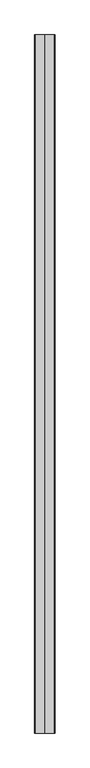
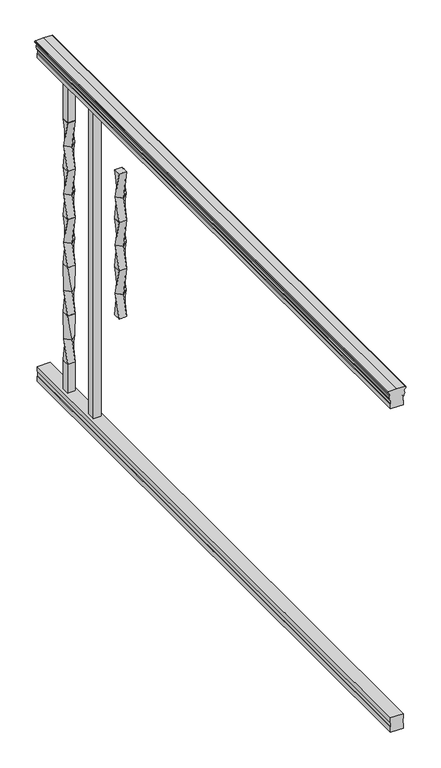
"""IFC4 building model written with IfcOpenShell, lengths in millimetres: railing geometry."""

from ifc_helpers import new_model, si_unit, frame, origin, place, context, project, spatial, polyline, circle_curve, outline, extrude, faceted_brep, source, transform, mapped, element, save
from ifc_brep_helpers import plane_surface, cylinder_surface, revolved_surface, spline_surface, advanced_brep


def railing_deb73338(model_context):
    return source(origin(), model_context, "Body", "SolidModel", [
        advanced_brep(
        [(37134.309781, 31627.8480744, 938.4043297), (37136.8836098, 31627.8480744, 938.4043297), (37136.8836098, 31627.8480744, 927.747013), (37135.8676098, 31627.8480744, 926.731013), (37135.8676098, 31627.8480744, 914.4), (37167.6176098, 31627.8480744, 914.4), (37167.6176098, 31627.8480744, 926.8888283), (37166.6016098, 31627.8480744, 927.9048283), (37166.6016098, 31627.8480744, 938.4043297), (37169.1754385, 31627.8480744, 938.4043297), (37169.1754385, 31627.8480744, 940.292412), (37170.3056248, 31627.8480744, 941.8546695), (37170.3056248, 31627.8480744, 949.0726458), (37169.6563684, 31627.8480744, 951.5060812), (37172.1563684, 31627.8480744, 955.8362083), (37173.5657109, 31627.8480744, 957.5157972), (37173.9676099, 31627.8480744, 958.6205318), (37173.9676098, 31627.8480744, 959.9608158), (37172.4141625, 31627.8480744, 961.514263), (37151.7426098, 31627.8480744, 961.514263), (37131.071057, 31627.8480744, 961.514263), (37129.5176098, 31627.8480744, 959.9608158), (37129.5176098, 31627.8480744, 958.6205318), (37129.9195087, 31627.8480744, 957.5157972), (37131.3288511, 31627.8480744, 955.8362083), (37133.8288511, 31627.8480744, 951.5060812), (37133.1795947, 31627.8480744, 949.0726458), (37133.1795947, 31627.8480744, 941.8546695), (37134.309781, 31627.8480744, 940.292412), (37134.309781, 33151.8480744, 938.4043297), (37134.309781, 33151.8480744, 940.292412), (37133.1795947, 33151.8480744, 941.8546695), (37133.1795947, 33151.8480744, 949.0726458), (37133.8288511, 33151.8480744, 951.5060812), (37131.3288511, 33151.8480744, 955.8362083), (37129.9195087, 33151.8480744, 957.5157972), (37129.5176097, 33151.8480744, 958.6205318), (37129.5176098, 33151.8480744, 959.9608158), (37131.071057, 33151.8480744, 961.514263), (37151.7426098, 33151.8480744, 961.514263), (37172.4141625, 33151.8480744, 961.514263), (37173.9676098, 33151.8480744, 959.9608158), (37173.9676098, 33151.8480744, 958.6205318), (37173.5657109, 33151.8480744, 957.5157972), (37172.1563684, 33151.8480744, 955.8362083), (37169.6563684, 33151.8480744, 951.5060812), (37170.3056248, 33151.8480744, 949.0726458), (37170.3056248, 33151.8480744, 941.8546695), (37169.1754385, 33151.8480744, 940.292412), (37169.1754385, 33151.8480744, 938.4043297), (37166.6016098, 33151.8480744, 938.4043297), (37166.6016098, 33151.8480744, 927.9048283), (37167.6176098, 33151.8480744, 926.8888283), (37167.6176098, 33151.8480744, 914.4), (37135.8676098, 33151.8480744, 914.4), (37135.8676098, 33151.8480744, 926.731013), (37136.8836098, 33151.8480744, 927.747013), (37136.8836098, 33151.8480744, 938.4043297)],
        [
            (0, 1, circle_curve(frame((37135.5966954, 31627.8480744, 938.4043297), z_axis=(0.0, -1.0, 0.0), x_axis=(1.0, 0.0, 0.0)), 1.2869144)),
            (1, 2),
            (2, 3),
            (3, 4),
            (4, 5),
            (5, 6),
            (6, 7),
            (7, 8),
            (8, 9, circle_curve(frame((37167.8885241, 31627.8480744, 938.4043297), z_axis=(0.0, -1.0, 0.0), x_axis=(-1.0, 0.0, 0.0)), 1.2869144)),
            (9, 10),
            (10, 11, circle_curve(frame((37162.8606852, 31627.8480744, 946.0506383), z_axis=(0.0, -1.0, 0.0), x_axis=(-1.0, 0.0, 0.0)), 8.545951)),
            (11, 12, circle_curve(frame((37163.2977482, 31627.8480744, 945.4636577), z_axis=(0.0, -1.0, 0.0), x_axis=(-1.0, 0.0, 0.0)), 7.882584)),
            (12, 13, circle_curve(frame((37173.8110723, 31627.8480744, 951.3112527), z_axis=(0.0, 1.0, 0.0), x_axis=(-1.0, 0.0, 0.0)), 4.1592695)),
            (13, 14, circle_curve(frame((37175.0983789, 31627.8480744, 951.2508864), z_axis=(0.0, 1.0, 0.0), x_axis=(-1.0, 0.0, 0.0)), 5.4479907)),
            (14, 15, circle_curve(frame((37173.8652204, 31627.8480744, 955.833395), z_axis=(0.0, 1.0, 0.0), x_axis=(-1.0, 0.0, 0.0)), 1.7088543)),
            (15, 16, circle_curve(frame((37172.2483203, 31627.8480744, 958.6205318), z_axis=(0.0, -1.0, 0.0), x_axis=(-1.0, 0.0, 0.0)), 1.7192895)),
            (16, 17),
            (17, 18, circle_curve(frame((37172.4141625, 31627.8480744, 959.9608158), z_axis=(0.0, -1.0, 0.0), x_axis=(-1.0, 0.0, 0.0)), 1.5534472)),
            (18, 19),
            (19, 20),
            (20, 21, circle_curve(frame((37131.071057, 31627.8480744, 959.9608158), z_axis=(0.0, -1.0, 0.0), x_axis=(1.0, 0.0, 0.0)), 1.5534472)),
            (21, 22),
            (22, 23, circle_curve(frame((37131.2368992, 31627.8480744, 958.6205318), z_axis=(0.0, -1.0, 0.0), x_axis=(1.0, 0.0, 0.0)), 1.7192895)),
            (23, 24, circle_curve(frame((37129.6199991, 31627.8480744, 955.833395), z_axis=(0.0, 1.0, 0.0), x_axis=(1.0, 0.0, 0.0)), 1.7088543)),
            (24, 25, circle_curve(frame((37128.3868407, 31627.8480744, 951.2508864), z_axis=(0.0, 1.0, 0.0), x_axis=(1.0, 0.0, 0.0)), 5.4479907)),
            (25, 26, circle_curve(frame((37129.6741472, 31627.8480744, 951.3112527), z_axis=(0.0, 1.0, 0.0), x_axis=(1.0, 0.0, 0.0)), 4.1592695)),
            (26, 27, circle_curve(frame((37140.1874714, 31627.8480744, 945.4636577), z_axis=(0.0, -1.0, 0.0), x_axis=(1.0, 0.0, 0.0)), 7.882584)),
            (27, 28, circle_curve(frame((37140.6245343, 31627.8480744, 946.0506383), z_axis=(0.0, -1.0, 0.0), x_axis=(1.0, 0.0, 0.0)), 8.545951)),
            (28, 0),
            (29, 30),
            (30, 31, circle_curve(frame((37140.6245343, 33151.8480744, 946.0506383), z_axis=(0.0, 1.0, 0.0), x_axis=(1.0, 0.0, 0.0)), 8.545951)),
            (31, 32, circle_curve(frame((37140.1874714, 33151.8480744, 945.4636577), z_axis=(0.0, 1.0, 0.0), x_axis=(1.0, 0.0, 0.0)), 7.882584)),
            (32, 33, circle_curve(frame((37129.6741472, 33151.8480744, 951.3112527), z_axis=(0.0, -1.0, 0.0), x_axis=(1.0, 0.0, 0.0)), 4.1592695)),
            (33, 34, circle_curve(frame((37128.3868407, 33151.8480744, 951.2508864), z_axis=(0.0, -1.0, 0.0), x_axis=(1.0, 0.0, 0.0)), 5.4479907)),
            (34, 35, circle_curve(frame((37129.6199991, 33151.8480744, 955.833395), z_axis=(0.0, -1.0, 0.0), x_axis=(1.0, 0.0, 0.0)), 1.7088543)),
            (35, 36, circle_curve(frame((37131.2368992, 33151.8480744, 958.6205318), z_axis=(0.0, 1.0, 0.0), x_axis=(1.0, 0.0, 0.0)), 1.7192895)),
            (36, 37),
            (37, 38, circle_curve(frame((37131.071057, 33151.8480744, 959.9608158), z_axis=(0.0, 1.0, 0.0), x_axis=(1.0, 0.0, 0.0)), 1.5534472)),
            (38, 39),
            (39, 40),
            (40, 41, circle_curve(frame((37172.4141625, 33151.8480744, 959.9608158), z_axis=(0.0, 1.0, 0.0), x_axis=(-1.0, 0.0, 0.0)), 1.5534472)),
            (41, 42),
            (42, 43, circle_curve(frame((37172.2483203, 33151.8480744, 958.6205318), z_axis=(0.0, 1.0, 0.0), x_axis=(-1.0, 0.0, 0.0)), 1.7192895)),
            (43, 44, circle_curve(frame((37173.8652204, 33151.8480744, 955.833395), z_axis=(0.0, -1.0, 0.0), x_axis=(-1.0, 0.0, 0.0)), 1.7088543)),
            (44, 45, circle_curve(frame((37175.0983789, 33151.8480744, 951.2508864), z_axis=(0.0, -1.0, 0.0), x_axis=(-1.0, 0.0, 0.0)), 5.4479907)),
            (45, 46, circle_curve(frame((37173.8110723, 33151.8480744, 951.3112527), z_axis=(0.0, -1.0, 0.0), x_axis=(-1.0, 0.0, 0.0)), 4.1592695)),
            (46, 47, circle_curve(frame((37163.2977482, 33151.8480744, 945.4636577), z_axis=(0.0, 1.0, 0.0), x_axis=(-1.0, 0.0, 0.0)), 7.882584)),
            (47, 48, circle_curve(frame((37162.8606852, 33151.8480744, 946.0506383), z_axis=(0.0, 1.0, 0.0), x_axis=(-1.0, 0.0, 0.0)), 8.545951)),
            (48, 49),
            (49, 50, circle_curve(frame((37167.8885241, 33151.8480744, 938.4043297), z_axis=(0.0, 1.0, 0.0), x_axis=(-1.0, 0.0, 0.0)), 1.2869144)),
            (50, 51),
            (51, 52),
            (52, 53),
            (53, 54),
            (54, 55),
            (55, 56),
            (56, 57),
            (57, 29, circle_curve(frame((37135.5966954, 33151.8480744, 938.4043297), z_axis=(0.0, 1.0, 0.0), x_axis=(1.0, 0.0, 0.0)), 1.2869144)),
            (0, 29),
            (57, 1),
            (56, 2),
            (55, 3),
            (54, 4),
            (53, 5),
            (52, 6),
            (51, 7),
            (50, 8),
            (49, 9),
            (48, 10),
            (47, 11),
            (46, 12),
            (45, 13),
            (44, 14),
            (43, 15),
            (42, 16),
            (41, 17),
            (40, 18),
            (39, 19),
            (38, 20),
            (37, 21),
            (36, 22),
            (35, 23),
            (34, 24),
            (33, 25),
            (32, 26),
            (31, 27),
            (30, 28),
        ],
        [
            plane_surface(frame((37151.7426098, 31627.8480744, 914.4), z_axis=(0.0, -1.0, 0.0), x_axis=(0.0, 0.0, 1.0))),
            plane_surface(frame((37151.7426098, 33151.8480744, 914.4), z_axis=(0.0, 1.0, 0.0), x_axis=(0.0, 0.0, 1.0))),
            cylinder_surface(frame((37135.5966954, 31627.8480744, 938.4043297), z_axis=(0.0, -1.0, 0.0), x_axis=(1.0, 0.0, 0.0)), 1.2869144),
            plane_surface(frame((37136.8836098, 31627.8480744, 938.4043297), z_axis=(-1.0, 0.0, 0.0), x_axis=(0.0, 1.0, 0.0))),
            plane_surface(frame((37136.8836098, 31627.8480744, 927.747013), z_axis=(-0.7071067811865395, 0.0, 0.7071067811865556), x_axis=(0.0, 1.0, 0.0))),
            plane_surface(frame((37135.8676098, 31627.8480744, 926.731013), z_axis=(-1.0, 0.0, 0.0), x_axis=(0.0, 1.0, 0.0))),
            plane_surface(frame((37135.8676098, 31627.8480744, 914.4), z_axis=(0.0, 0.0, -1.0), x_axis=(0.0, 1.0, 0.0))),
            plane_surface(frame((37167.6176098, 31627.8480744, 914.4), z_axis=(1.0, 0.0, 0.0), x_axis=(0.0, 1.0, 0.0))),
            plane_surface(frame((37167.6176098, 31627.8480744, 926.8888283), z_axis=(0.7071067811865432, 0.0, 0.707106781186552), x_axis=(0.0, 1.0, 0.0))),
            plane_surface(frame((37166.6016098, 31627.8480744, 927.9048283), z_axis=(1.0, 0.0, 0.0), x_axis=(0.0, 1.0, 0.0))),
            cylinder_surface(frame((37167.8885241, 31627.8480744, 938.4043297), z_axis=(0.0, -1.0, 0.0), x_axis=(-1.0, 0.0, 0.0)), 1.2869144),
            plane_surface(frame((37169.1754385, 31627.8480744, 938.4043297), z_axis=(1.0, 0.0, 0.0), x_axis=(0.0, 1.0, 0.0))),
            cylinder_surface(frame((37162.8606852, 31627.8480744, 946.0506383), z_axis=(0.0, -1.0, 0.0), x_axis=(-1.0, 0.0, 0.0)), 8.545951),
            cylinder_surface(frame((37163.2977482, 31627.8480744, 945.4636577), z_axis=(0.0, -1.0, 0.0), x_axis=(-1.0, 0.0, 0.0)), 7.882584),
            revolved_surface(polyline([(37169.6518028, 33151.8480744, 951.3112527), (37169.6518028, 31627.8480744, 951.3112527)]), (37173.8110723, 31627.8480744, 951.3112527), (0.0, 1.0, 0.0)),
            revolved_surface(polyline([(37169.6503882, 33151.8480744, 951.2508864), (37169.6503882, 31627.8480744, 951.2508864)]), (37175.0983789, 31627.8480744, 951.2508864), (0.0, 1.0, 0.0)),
            revolved_surface(polyline([(37172.156366100004, 33151.8480744, 955.833395), (37172.156366100004, 31627.8480744, 955.833395)]), (37173.8652204, 31627.8480744, 955.833395), (0.0, 1.0, 0.0)),
            cylinder_surface(frame((37172.2483203, 31627.8480744, 958.6205318), z_axis=(0.0, -1.0, 0.0), x_axis=(-1.0, 0.0, 0.0)), 1.7192895),
            plane_surface(frame((37173.9676098, 31627.8480744, 958.6205318), z_axis=(1.0, 0.0, 0.0), x_axis=(0.0, 1.0, 0.0))),
            cylinder_surface(frame((37172.4141625, 31627.8480744, 959.9608158), z_axis=(0.0, -1.0, 0.0), x_axis=(-1.0, 0.0, 0.0)), 1.5534472),
            plane_surface(frame((37172.4141625, 31627.8480744, 961.514263), z_axis=(0.0, 0.0, 1.0), x_axis=(0.0, 1.0, 0.0))),
            plane_surface(frame((37151.7426098, 31627.8480744, 961.514263), z_axis=(0.0, 0.0, 1.0), x_axis=(0.0, 1.0, 0.0))),
            cylinder_surface(frame((37131.071057, 31627.8480744, 959.9608158), z_axis=(0.0, -1.0, 0.0), x_axis=(1.0, 0.0, 0.0)), 1.5534472),
            plane_surface(frame((37129.5176098, 31627.8480744, 959.9608158), z_axis=(-1.0, 0.0, 0.0), x_axis=(0.0, 1.0, 0.0))),
            cylinder_surface(frame((37131.2368992, 31627.8480744, 958.6205318), z_axis=(0.0, -1.0, 0.0), x_axis=(1.0, 0.0, 0.0)), 1.7192895),
            revolved_surface(polyline([(37131.3288534, 33151.8480744, 955.833395), (37131.3288534, 31627.8480744, 955.833395)]), (37129.6199991, 31627.8480744, 955.833395), (0.0, 1.0, 0.0)),
            revolved_surface(polyline([(37133.834831399996, 33151.8480744, 951.2508864), (37133.834831399996, 31627.8480744, 951.2508864)]), (37128.3868407, 31627.8480744, 951.2508864), (0.0, 1.0, 0.0)),
            revolved_surface(polyline([(37133.8334167, 33151.8480744, 951.3112527), (37133.8334167, 31627.8480744, 951.3112527)]), (37129.6741472, 31627.8480744, 951.3112527), (0.0, 1.0, 0.0)),
            cylinder_surface(frame((37140.1874714, 31627.8480744, 945.4636577), z_axis=(0.0, -1.0, 0.0), x_axis=(1.0, 0.0, 0.0)), 7.882584),
            cylinder_surface(frame((37140.6245343, 31627.8480744, 946.0506383), z_axis=(0.0, -1.0, 0.0), x_axis=(1.0, 0.0, 0.0)), 8.545951),
            plane_surface(frame((37134.309781, 31627.8480744, 940.292412), z_axis=(-1.0, 0.0, 0.0), x_axis=(0.0, 1.0, 0.0))),
        ],
        [
            (0, [[1, 2, 3, 4, 5, 6, 7, 8, 9, 10, 11, 12, 13, 14, 15, 16, 17, 18, 19, 20, 21, 22, 23, 24, 25, 26, 27, 28, 29]]),
            (1, [[30, 31, 32, 33, 34, 35, 36, 37, 38, 39, 40, 41, 42, 43, 44, 45, 46, 47, 48, 49, 50, 51, 52, 53, 54, 55, 56, 57, 58]]),
            (2, [[-1, 59, -58, 60]]),
            (3, [[-2, -60, -57, 61]]),
            (4, [[-3, -61, -56, 62]]),
            (5, [[-4, -62, -55, 63]]),
            (6, [[-5, -63, -54, 64]]),
            (7, [[-6, -64, -53, 65]]),
            (8, [[-7, -65, -52, 66]]),
            (9, [[-8, -66, -51, 67]]),
            (10, [[-9, -67, -50, 68]]),
            (11, [[-10, -68, -49, 69]]),
            (12, [[-11, -69, -48, 70]]),
            (13, [[-12, -70, -47, 71]]),
            (14, [[-13, -71, -46, 72]]),
            (15, [[-14, -72, -45, 73]]),
            (16, [[-15, -73, -44, 74]]),
            (17, [[-16, -74, -43, 75]]),
            (18, [[-17, -75, -42, 76]]),
            (19, [[-18, -76, -41, 77]]),
            (20, [[-19, -77, -40, 78]]),
            (21, [[-20, -78, -39, 79]]),
            (22, [[-21, -79, -38, 80]]),
            (23, [[-22, -80, -37, 81]]),
            (24, [[-23, -81, -36, 82]]),
            (25, [[-24, -82, -35, 83]]),
            (26, [[-25, -83, -34, 84]]),
            (27, [[-26, -84, -33, 85]]),
            (28, [[-27, -85, -32, 86]]),
            (29, [[-28, -86, -31, 87]]),
            (30, [[-29, -87, -30, -59]]),
        ],
    ),
        faceted_brep([(37135.8301229, 31627.8480744, 76.0541976), (37135.8301229, 31627.8480744, 63.5), (37167.5801229, 31627.8480744, 63.5), (37167.5801229, 31627.8480744, 76.0375508), (37166.5641229, 31627.8480744, 77.3858283), (37166.5641229, 31627.8480744, 87.6975248), (37167.5801229, 31627.8480744, 89.0458024), (37167.5801229, 31627.8480744, 101.5958781), (37135.8301229, 31627.8480744, 101.5958781), (37135.8301229, 31627.8480744, 89.0624492), (37136.8461229, 31627.8480744, 87.7141717), (37136.8461229, 31627.8480744, 77.3546183), (37135.8301229, 33151.8480744, 76.0541976), (37136.8461229, 33151.8480744, 77.3546183), (37136.8461229, 33151.8480744, 87.7141717), (37135.8301229, 33151.8480744, 89.0624492), (37135.8301229, 33151.8480744, 101.5958781), (37167.5801229, 33151.8480744, 101.5958781), (37167.5801229, 33151.8480744, 89.0458024), (37166.5641229, 33151.8480744, 87.6975248), (37166.5641229, 33151.8480744, 77.3858283), (37167.5801229, 33151.8480744, 76.0375508), (37167.5801229, 33151.8480744, 63.5), (37135.8301229, 33151.8480744, 63.5)], [[[0, 1, 2, 3, 4, 5, 6, 7, 8, 9, 10, 11]], [[12, 13, 14, 15, 16, 17, 18, 19, 20, 21, 22, 23]], [[1, 0, 12, 23]], [[2, 1, 23, 22]], [[3, 2, 22, 21]], [[4, 3, 21, 20]], [[5, 4, 20, 19]], [[6, 5, 19, 18]], [[7, 6, 18, 17]], [[8, 7, 17, 16]], [[9, 8, 16, 15]], [[10, 9, 15, 14]], [[11, 10, 14, 13]], [[0, 11, 13, 12]]]),
        advanced_brep(
        [(37142.2176098, 33051.8355744, 812.7958781), (37142.2176098, 33032.7855744, 812.7958781), (37161.2676098, 33032.7855744, 812.7958781), (37161.2676098, 33051.8355744, 812.7958781), (37151.7426098, 33055.7809585, 749.2958781), (37165.212994, 33042.3105744, 749.2958781), (37151.7426098, 33028.8401902, 749.2958781), (37138.2722256, 33042.3105744, 749.2958781)],
        [
            (0, 1),
            (1, 2),
            (2, 3),
            (3, 0),
            (4, 5),
            (5, 6),
            (6, 7),
            (7, 4),
            (7, 1),
            (0, 4),
            (6, 2),
            (5, 3),
        ],
        [
            plane_surface(frame((37151.7426098, 33042.3105744, 812.7958781), z_axis=(0.0, 0.0, 1.0), x_axis=(1.0, 0.0, 0.0))),
            plane_surface(frame((37151.7426098, 33042.3105744, 749.2958781), z_axis=(0.0, 0.0, -1.0), x_axis=(1.0, 0.0, 0.0))),
            spline_surface(1, 1, [[(37151.7426098, 33055.7809585, 749.2958781), (37142.2176098, 33051.8355744, 812.7958781)], [(37138.2722256, 33042.3105744, 749.2958781), (37142.2176098, 33032.7855744, 812.7958781)]], [2, 2], [2, 2], [0.0, 1.0], [0.0, 1.0]),
            spline_surface(1, 1, [[(37138.2722256, 33042.3105744, 749.2958781), (37142.2176098, 33032.7855744, 812.7958781)], [(37151.7426098, 33028.8401902, 749.2958781), (37161.2676098, 33032.7855744, 812.7958781)]], [2, 2], [2, 2], [0.0, 1.0], [0.0, 1.0]),
            spline_surface(1, 1, [[(37151.7426098, 33028.8401902, 749.2958781), (37161.2676098, 33032.7855744, 812.7958781)], [(37165.212994, 33042.3105744, 749.2958781), (37161.2676098, 33051.8355744, 812.7958781)]], [2, 2], [2, 2], [0.0, 1.0], [0.0, 1.0]),
            spline_surface(1, 1, [[(37165.212994, 33042.3105744, 749.2958781), (37161.2676098, 33051.8355744, 812.7958781)], [(37151.7426098, 33055.7809585, 749.2958781), (37142.2176098, 33051.8355744, 812.7958781)]], [2, 2], [2, 2], [0.0, 1.0], [0.0, 1.0]),
        ],
        [
            (0, [[1, 2, 3, 4]]),
            (1, [[5, 6, 7, 8]]),
            (2, [[-8, 9, -1, 10]]),
            (3, [[-7, 11, -2, -9]]),
            (4, [[-6, 12, -3, -11]]),
            (5, [[-5, -10, -4, -12]]),
        ],
    ),
        advanced_brep(
        [(37138.2722256, 33042.3105744, 749.2958781), (37151.7426098, 33028.8401902, 749.2958781), (37165.212994, 33042.3105744, 749.2958781), (37151.7426098, 33055.7809585, 749.2958781), (37142.2176098, 33032.7855744, 685.7958781), (37142.2176098, 33051.8355744, 685.7958781), (37161.2676098, 33051.8355744, 685.7958781), (37161.2676098, 33032.7855744, 685.7958781)],
        [
            (0, 1),
            (1, 2),
            (2, 3),
            (3, 0),
            (4, 5),
            (5, 6),
            (6, 7),
            (7, 4),
            (7, 1),
            (0, 4),
            (6, 2),
            (5, 3),
        ],
        [
            plane_surface(frame((37151.7426098, 33042.3105744, 749.2958781), z_axis=(0.0, 0.0, 1.0), x_axis=(-0.7071067811865475, -0.7071067811865476, 0.0))),
            plane_surface(frame((37151.7426098, 33042.3105744, 685.7958781), z_axis=(0.0, 0.0, -1.0), x_axis=(-0.7071067811865475, -0.7071067811865476, 0.0))),
            spline_surface(1, 1, [[(37142.2176098, 33032.7855744, 685.7958781), (37138.2722256, 33042.3105744, 749.2958781)], [(37161.2676098, 33032.7855744, 685.7958781), (37151.7426098, 33028.8401902, 749.2958781)]], [2, 2], [2, 2], [0.0, 1.0], [0.0, 1.0]),
            spline_surface(1, 1, [[(37161.2676098, 33032.7855744, 685.7958781), (37151.7426098, 33028.8401902, 749.2958781)], [(37161.2676098, 33051.8355744, 685.7958781), (37165.212994, 33042.3105744, 749.2958781)]], [2, 2], [2, 2], [0.0, 1.0], [0.0, 1.0]),
            spline_surface(1, 1, [[(37161.2676098, 33051.8355744, 685.7958781), (37165.212994, 33042.3105744, 749.2958781)], [(37142.2176098, 33051.8355744, 685.7958781), (37151.7426098, 33055.7809585, 749.2958781)]], [2, 2], [2, 2], [0.0, 1.0], [0.0, 1.0]),
            spline_surface(1, 1, [[(37142.2176098, 33051.8355744, 685.7958781), (37151.7426098, 33055.7809585, 749.2958781)], [(37142.2176098, 33032.7855744, 685.7958781), (37138.2722256, 33042.3105744, 749.2958781)]], [2, 2], [2, 2], [0.0, 1.0], [0.0, 1.0]),
        ],
        [
            (0, [[1, 2, 3, 4]]),
            (1, [[5, 6, 7, 8]]),
            (2, [[-8, 9, -1, 10]]),
            (3, [[-7, 11, -2, -9]]),
            (4, [[-6, 12, -3, -11]]),
            (5, [[-5, -10, -4, -12]]),
        ],
    ),
        advanced_brep(
        [(37142.2176098, 33051.8355744, 685.7958781), (37142.2176098, 33032.7855744, 685.7958781), (37161.2676098, 33032.7855744, 685.7958781), (37161.2676098, 33051.8355744, 685.7958781), (37151.7426098, 33055.7809585, 622.2958781), (37165.212994, 33042.3105744, 622.2958781), (37151.7426098, 33028.8401902, 622.2958781), (37138.2722256, 33042.3105744, 622.2958781)],
        [
            (0, 1),
            (1, 2),
            (2, 3),
            (3, 0),
            (4, 5),
            (5, 6),
            (6, 7),
            (7, 4),
            (7, 1),
            (0, 4),
            (6, 2),
            (5, 3),
        ],
        [
            plane_surface(frame((37151.7426098, 33042.3105744, 685.7958781), z_axis=(0.0, 0.0, 1.0), x_axis=(1.0, 0.0, 0.0))),
            plane_surface(frame((37151.7426098, 33042.3105744, 622.2958781), z_axis=(0.0, 0.0, -1.0), x_axis=(1.0, 0.0, 0.0))),
            spline_surface(1, 1, [[(37151.7426098, 33055.7809585, 622.2958781), (37142.2176098, 33051.8355744, 685.7958781)], [(37138.2722256, 33042.3105744, 622.2958781), (37142.2176098, 33032.7855744, 685.7958781)]], [2, 2], [2, 2], [0.0, 1.0], [0.0, 1.0]),
            spline_surface(1, 1, [[(37138.2722256, 33042.3105744, 622.2958781), (37142.2176098, 33032.7855744, 685.7958781)], [(37151.7426098, 33028.8401902, 622.2958781), (37161.2676098, 33032.7855744, 685.7958781)]], [2, 2], [2, 2], [0.0, 1.0], [0.0, 1.0]),
            spline_surface(1, 1, [[(37151.7426098, 33028.8401902, 622.2958781), (37161.2676098, 33032.7855744, 685.7958781)], [(37165.212994, 33042.3105744, 622.2958781), (37161.2676098, 33051.8355744, 685.7958781)]], [2, 2], [2, 2], [0.0, 1.0], [0.0, 1.0]),
            spline_surface(1, 1, [[(37165.212994, 33042.3105744, 622.2958781), (37161.2676098, 33051.8355744, 685.7958781)], [(37151.7426098, 33055.7809585, 622.2958781), (37142.2176098, 33051.8355744, 685.7958781)]], [2, 2], [2, 2], [0.0, 1.0], [0.0, 1.0]),
        ],
        [
            (0, [[1, 2, 3, 4]]),
            (1, [[5, 6, 7, 8]]),
            (2, [[-8, 9, -1, 10]]),
            (3, [[-7, 11, -2, -9]]),
            (4, [[-6, 12, -3, -11]]),
            (5, [[-5, -10, -4, -12]]),
        ],
    ),
        advanced_brep(
        [(37138.2722256, 33042.3105744, 622.2958781), (37151.7426098, 33028.8401902, 622.2958781), (37165.212994, 33042.3105744, 622.2958781), (37151.7426098, 33055.7809585, 622.2958781), (37142.2176098, 33032.7855744, 558.7958781), (37142.2176098, 33051.8355744, 558.7958781), (37161.2676098, 33051.8355744, 558.7958781), (37161.2676098, 33032.7855744, 558.7958781)],
        [
            (0, 1),
            (1, 2),
            (2, 3),
            (3, 0),
            (4, 5),
            (5, 6),
            (6, 7),
            (7, 4),
            (7, 1),
            (0, 4),
            (6, 2),
            (5, 3),
        ],
        [
            plane_surface(frame((37151.7426098, 33042.3105744, 622.2958781), z_axis=(0.0, 0.0, 1.0), x_axis=(-0.7071067811865476, -0.7071067811865476, 0.0))),
            plane_surface(frame((37151.7426098, 33042.3105744, 558.7958781), z_axis=(0.0, 0.0, -1.0), x_axis=(-0.7071067811865476, -0.7071067811865476, 0.0))),
            spline_surface(1, 1, [[(37142.2176098, 33032.7855744, 558.7958781), (37138.2722256, 33042.3105744, 622.2958781)], [(37161.2676098, 33032.7855744, 558.7958781), (37151.7426098, 33028.8401902, 622.2958781)]], [2, 2], [2, 2], [0.0, 1.0], [0.0, 1.0]),
            spline_surface(1, 1, [[(37161.2676098, 33032.7855744, 558.7958781), (37151.7426098, 33028.8401902, 622.2958781)], [(37161.2676098, 33051.8355744, 558.7958781), (37165.212994, 33042.3105744, 622.2958781)]], [2, 2], [2, 2], [0.0, 1.0], [0.0, 1.0]),
            spline_surface(1, 1, [[(37161.2676098, 33051.8355744, 558.7958781), (37165.212994, 33042.3105744, 622.2958781)], [(37142.2176098, 33051.8355744, 558.7958781), (37151.7426098, 33055.7809585, 622.2958781)]], [2, 2], [2, 2], [0.0, 1.0], [0.0, 1.0]),
            spline_surface(1, 1, [[(37142.2176098, 33051.8355744, 558.7958781), (37151.7426098, 33055.7809585, 622.2958781)], [(37142.2176098, 33032.7855744, 558.7958781), (37138.2722256, 33042.3105744, 622.2958781)]], [2, 2], [2, 2], [0.0, 1.0], [0.0, 1.0]),
        ],
        [
            (0, [[1, 2, 3, 4]]),
            (1, [[5, 6, 7, 8]]),
            (2, [[-8, 9, -1, 10]]),
            (3, [[-7, 11, -2, -9]]),
            (4, [[-6, 12, -3, -11]]),
            (5, [[-5, -10, -4, -12]]),
        ],
    ),
        advanced_brep(
        [(37142.2176098, 33051.8355744, 558.7958781), (37142.2176098, 33032.7855744, 558.7958781), (37161.2676098, 33032.7855744, 558.7958781), (37161.2676098, 33051.8355744, 558.7958781), (37151.7426098, 33055.7809585, 495.2958781), (37165.212994, 33042.3105744, 495.2958781), (37151.7426098, 33028.8401902, 495.2958781), (37138.2722256, 33042.3105744, 495.2958781)],
        [
            (0, 1),
            (1, 2),
            (2, 3),
            (3, 0),
            (4, 5),
            (5, 6),
            (6, 7),
            (7, 4),
            (7, 1),
            (0, 4),
            (6, 2),
            (5, 3),
        ],
        [
            plane_surface(frame((37151.7426098, 33042.3105744, 558.7958781), z_axis=(0.0, 0.0, 1.0), x_axis=(1.0, 0.0, 0.0))),
            plane_surface(frame((37151.7426098, 33042.3105744, 495.2958781), z_axis=(0.0, 0.0, -1.0), x_axis=(1.0, 0.0, 0.0))),
            spline_surface(1, 1, [[(37151.7426098, 33055.7809585, 495.2958781), (37142.2176098, 33051.8355744, 558.7958781)], [(37138.2722256, 33042.3105744, 495.2958781), (37142.2176098, 33032.7855744, 558.7958781)]], [2, 2], [2, 2], [0.0, 1.0], [0.0, 1.0]),
            spline_surface(1, 1, [[(37138.2722256, 33042.3105744, 495.2958781), (37142.2176098, 33032.7855744, 558.7958781)], [(37151.7426098, 33028.8401902, 495.2958781), (37161.2676098, 33032.7855744, 558.7958781)]], [2, 2], [2, 2], [0.0, 1.0], [0.0, 1.0]),
            spline_surface(1, 1, [[(37151.7426098, 33028.8401902, 495.2958781), (37161.2676098, 33032.7855744, 558.7958781)], [(37165.212994, 33042.3105744, 495.2958781), (37161.2676098, 33051.8355744, 558.7958781)]], [2, 2], [2, 2], [0.0, 1.0], [0.0, 1.0]),
            spline_surface(1, 1, [[(37165.212994, 33042.3105744, 495.2958781), (37161.2676098, 33051.8355744, 558.7958781)], [(37151.7426098, 33055.7809585, 495.2958781), (37142.2176098, 33051.8355744, 558.7958781)]], [2, 2], [2, 2], [0.0, 1.0], [0.0, 1.0]),
        ],
        [
            (0, [[1, 2, 3, 4]]),
            (1, [[5, 6, 7, 8]]),
            (2, [[-8, 9, -1, 10]]),
            (3, [[-7, 11, -2, -9]]),
            (4, [[-6, 12, -3, -11]]),
            (5, [[-5, -10, -4, -12]]),
        ],
    ),
        advanced_brep(
        [(37138.2722256, 33042.3105744, 495.2958781), (37151.7426098, 33028.8401902, 495.2958781), (37165.212994, 33042.3105744, 495.2958781), (37151.7426098, 33055.7809585, 495.2958781), (37142.2176098, 33032.7855744, 431.7958781), (37142.2176098, 33051.8355744, 431.7958781), (37161.2676098, 33051.8355744, 431.7958781), (37161.2676098, 33032.7855744, 431.7958781)],
        [
            (0, 1),
            (1, 2),
            (2, 3),
            (3, 0),
            (4, 5),
            (5, 6),
            (6, 7),
            (7, 4),
            (7, 1),
            (0, 4),
            (6, 2),
            (5, 3),
        ],
        [
            plane_surface(frame((37151.7426098, 33042.3105744, 495.2958781), z_axis=(0.0, 0.0, 1.0), x_axis=(-0.7071067811865475, -0.7071067811865476, 0.0))),
            plane_surface(frame((37151.7426098, 33042.3105744, 431.7958781), z_axis=(0.0, 0.0, -1.0), x_axis=(-0.7071067811865475, -0.7071067811865476, 0.0))),
            spline_surface(1, 1, [[(37142.2176098, 33032.7855744, 431.7958781), (37138.2722256, 33042.3105744, 495.2958781)], [(37161.2676098, 33032.7855744, 431.7958781), (37151.7426098, 33028.8401902, 495.2958781)]], [2, 2], [2, 2], [0.0, 1.0], [0.0, 1.0]),
            spline_surface(1, 1, [[(37161.2676098, 33032.7855744, 431.7958781), (37151.7426098, 33028.8401902, 495.2958781)], [(37161.2676098, 33051.8355744, 431.7958781), (37165.212994, 33042.3105744, 495.2958781)]], [2, 2], [2, 2], [0.0, 1.0], [0.0, 1.0]),
            spline_surface(1, 1, [[(37161.2676098, 33051.8355744, 431.7958781), (37165.212994, 33042.3105744, 495.2958781)], [(37142.2176098, 33051.8355744, 431.7958781), (37151.7426098, 33055.7809585, 495.2958781)]], [2, 2], [2, 2], [0.0, 1.0], [0.0, 1.0]),
            spline_surface(1, 1, [[(37142.2176098, 33051.8355744, 431.7958781), (37151.7426098, 33055.7809585, 495.2958781)], [(37142.2176098, 33032.7855744, 431.7958781), (37138.2722256, 33042.3105744, 495.2958781)]], [2, 2], [2, 2], [0.0, 1.0], [0.0, 1.0]),
        ],
        [
            (0, [[1, 2, 3, 4]]),
            (1, [[5, 6, 7, 8]]),
            (2, [[-8, 9, -1, 10]]),
            (3, [[-7, 11, -2, -9]]),
            (4, [[-6, 12, -3, -11]]),
            (5, [[-5, -10, -4, -12]]),
        ],
    ),
        advanced_brep(
        [(37142.2176098, 33032.7855744, 431.7958781), (37161.2676098, 33032.7855744, 431.7958781), (37161.2676098, 33051.8355744, 431.7958781), (37142.2176098, 33051.8355744, 431.7958781), (37151.7426098, 33028.8401902, 368.2958781), (37138.2722256, 33042.3105744, 368.2958781), (37151.7426098, 33055.7809585, 368.2958781), (37165.212994, 33042.3105744, 368.2958781)],
        [
            (0, 1),
            (1, 2),
            (2, 3),
            (3, 0),
            (4, 5),
            (5, 6),
            (6, 7),
            (7, 4),
            (7, 1),
            (0, 4),
            (6, 2),
            (5, 3),
        ],
        [
            plane_surface(frame((37151.7426098, 33042.3105744, 431.7958781), z_axis=(0.0, 0.0, 1.0), x_axis=(1.0, 0.0, 0.0))),
            plane_surface(frame((37151.7426098, 33042.3105744, 368.2958781), z_axis=(0.0, 0.0, -1.0), x_axis=(1.0, 0.0, 0.0))),
            spline_surface(1, 1, [[(37151.7426098, 33028.8401902, 368.2958781), (37142.2176098, 33032.7855744, 431.7958781)], [(37165.212994, 33042.3105744, 368.2958781), (37161.2676098, 33032.7855744, 431.7958781)]], [2, 2], [2, 2], [0.0, 1.0], [0.0, 1.0]),
            spline_surface(1, 1, [[(37165.212994, 33042.3105744, 368.2958781), (37161.2676098, 33032.7855744, 431.7958781)], [(37151.7426098, 33055.7809585, 368.2958781), (37161.2676098, 33051.8355744, 431.7958781)]], [2, 2], [2, 2], [0.0, 1.0], [0.0, 1.0]),
            spline_surface(1, 1, [[(37151.7426098, 33055.7809585, 368.2958781), (37161.2676098, 33051.8355744, 431.7958781)], [(37138.2722256, 33042.3105744, 368.2958781), (37142.2176098, 33051.8355744, 431.7958781)]], [2, 2], [2, 2], [0.0, 1.0], [0.0, 1.0]),
            spline_surface(1, 1, [[(37138.2722256, 33042.3105744, 368.2958781), (37142.2176098, 33051.8355744, 431.7958781)], [(37151.7426098, 33028.8401902, 368.2958781), (37142.2176098, 33032.7855744, 431.7958781)]], [2, 2], [2, 2], [0.0, 1.0], [0.0, 1.0]),
        ],
        [
            (0, [[1, 2, 3, 4]]),
            (1, [[5, 6, 7, 8]]),
            (2, [[-8, 9, -1, 10]]),
            (3, [[-7, 11, -2, -9]]),
            (4, [[-6, 12, -3, -11]]),
            (5, [[-5, -10, -4, -12]]),
        ],
    ),
        advanced_brep(
        [(37138.2722256, 33042.3105744, 368.2958781), (37151.7426098, 33028.8401902, 368.2958781), (37165.212994, 33042.3105744, 368.2958781), (37151.7426098, 33055.7809585, 368.2958781), (37142.2176098, 33032.7855744, 304.7958781), (37142.2176098, 33051.8355744, 304.7958781), (37161.2676098, 33051.8355744, 304.7958781), (37161.2676098, 33032.7855744, 304.7958781)],
        [
            (0, 1),
            (1, 2),
            (2, 3),
            (3, 0),
            (4, 5),
            (5, 6),
            (6, 7),
            (7, 4),
            (7, 1),
            (0, 4),
            (6, 2),
            (5, 3),
        ],
        [
            plane_surface(frame((37151.7426098, 33042.3105744, 368.2958781), z_axis=(0.0, 0.0, 1.0), x_axis=(-0.7071067811865476, -0.7071067811865476, 0.0))),
            plane_surface(frame((37151.7426098, 33042.3105744, 304.7958781), z_axis=(0.0, 0.0, -1.0), x_axis=(-0.7071067811865476, -0.7071067811865476, 0.0))),
            spline_surface(1, 1, [[(37142.2176098, 33032.7855744, 304.7958781), (37138.2722256, 33042.3105744, 368.2958781)], [(37161.2676098, 33032.7855744, 304.7958781), (37151.7426098, 33028.8401902, 368.2958781)]], [2, 2], [2, 2], [0.0, 1.0], [0.0, 1.0]),
            spline_surface(1, 1, [[(37161.2676098, 33032.7855744, 304.7958781), (37151.7426098, 33028.8401902, 368.2958781)], [(37161.2676098, 33051.8355744, 304.7958781), (37165.212994, 33042.3105744, 368.2958781)]], [2, 2], [2, 2], [0.0, 1.0], [0.0, 1.0]),
            spline_surface(1, 1, [[(37161.2676098, 33051.8355744, 304.7958781), (37165.212994, 33042.3105744, 368.2958781)], [(37142.2176098, 33051.8355744, 304.7958781), (37151.7426098, 33055.7809585, 368.2958781)]], [2, 2], [2, 2], [0.0, 1.0], [0.0, 1.0]),
            spline_surface(1, 1, [[(37142.2176098, 33051.8355744, 304.7958781), (37151.7426098, 33055.7809585, 368.2958781)], [(37142.2176098, 33032.7855744, 304.7958781), (37138.2722256, 33042.3105744, 368.2958781)]], [2, 2], [2, 2], [0.0, 1.0], [0.0, 1.0]),
        ],
        [
            (0, [[1, 2, 3, 4]]),
            (1, [[5, 6, 7, 8]]),
            (2, [[-8, 9, -1, 10]]),
            (3, [[-7, 11, -2, -9]]),
            (4, [[-6, 12, -3, -11]]),
            (5, [[-5, -10, -4, -12]]),
        ],
    ),
        advanced_brep(
        [(37142.2176098, 33032.7855744, 304.7958781), (37161.2676098, 33032.7855744, 304.7958781), (37161.2676098, 33051.8355744, 304.7958781), (37142.2176098, 33051.8355744, 304.7958781), (37151.7426098, 33028.8401902, 241.2958781), (37138.2722256, 33042.3105744, 241.2958781), (37151.7426098, 33055.7809585, 241.2958781), (37165.212994, 33042.3105744, 241.2958781)],
        [
            (0, 1),
            (1, 2),
            (2, 3),
            (3, 0),
            (4, 5),
            (5, 6),
            (6, 7),
            (7, 4),
            (7, 1),
            (0, 4),
            (6, 2),
            (5, 3),
        ],
        [
            plane_surface(frame((37151.7426098, 33042.3105744, 304.7958781), z_axis=(0.0, 0.0, 1.0), x_axis=(1.0, 0.0, 0.0))),
            plane_surface(frame((37151.7426098, 33042.3105744, 241.2958781), z_axis=(0.0, 0.0, -1.0), x_axis=(1.0, 0.0, 0.0))),
            spline_surface(1, 1, [[(37151.7426098, 33028.8401902, 241.2958781), (37142.2176098, 33032.7855744, 304.7958781)], [(37165.212994, 33042.3105744, 241.2958781), (37161.2676098, 33032.7855744, 304.7958781)]], [2, 2], [2, 2], [0.0, 1.0], [0.0, 1.0]),
            spline_surface(1, 1, [[(37165.212994, 33042.3105744, 241.2958781), (37161.2676098, 33032.7855744, 304.7958781)], [(37151.7426098, 33055.7809585, 241.2958781), (37161.2676098, 33051.8355744, 304.7958781)]], [2, 2], [2, 2], [0.0, 1.0], [0.0, 1.0]),
            spline_surface(1, 1, [[(37151.7426098, 33055.7809585, 241.2958781), (37161.2676098, 33051.8355744, 304.7958781)], [(37138.2722256, 33042.3105744, 241.2958781), (37142.2176098, 33051.8355744, 304.7958781)]], [2, 2], [2, 2], [0.0, 1.0], [0.0, 1.0]),
            spline_surface(1, 1, [[(37138.2722256, 33042.3105744, 241.2958781), (37142.2176098, 33051.8355744, 304.7958781)], [(37151.7426098, 33028.8401902, 241.2958781), (37142.2176098, 33032.7855744, 304.7958781)]], [2, 2], [2, 2], [0.0, 1.0], [0.0, 1.0]),
        ],
        [
            (0, [[1, 2, 3, 4]]),
            (1, [[5, 6, 7, 8]]),
            (2, [[-8, 9, -1, 10]]),
            (3, [[-7, 11, -2, -9]]),
            (4, [[-6, 12, -3, -11]]),
            (5, [[-5, -10, -4, -12]]),
        ],
    ),
        advanced_brep(
        [(37138.2722256, 33042.3105744, 241.2958781), (37151.7426098, 33028.8401902, 241.2958781), (37165.212994, 33042.3105744, 241.2958781), (37151.7426098, 33055.7809585, 241.2958781), (37142.2176098, 33032.7855744, 177.7958781), (37142.2176098, 33051.8355744, 177.7958781), (37161.2676098, 33051.8355744, 177.7958781), (37161.2676098, 33032.7855744, 177.7958781)],
        [
            (0, 1),
            (1, 2),
            (2, 3),
            (3, 0),
            (4, 5),
            (5, 6),
            (6, 7),
            (7, 4),
            (7, 1),
            (0, 4),
            (6, 2),
            (5, 3),
        ],
        [
            plane_surface(frame((37151.7426098, 33042.3105744, 241.2958781), z_axis=(0.0, 0.0, 1.0), x_axis=(0.7071067811865472, -0.7071067811865479, 0.0))),
            plane_surface(frame((37151.7426098, 33042.3105744, 177.7958781), z_axis=(0.0, 0.0, -1.0), x_axis=(0.7071067811865472, -0.7071067811865479, 0.0))),
            spline_surface(1, 1, [[(37142.2176098, 33032.7855744, 177.7958781), (37138.2722256, 33042.3105744, 241.2958781)], [(37161.2676098, 33032.7855744, 177.7958781), (37151.7426098, 33028.8401902, 241.2958781)]], [2, 2], [2, 2], [0.0, 1.0], [0.0, 1.0]),
            spline_surface(1, 1, [[(37161.2676098, 33032.7855744, 177.7958781), (37151.7426098, 33028.8401902, 241.2958781)], [(37161.2676098, 33051.8355744, 177.7958781), (37165.212994, 33042.3105744, 241.2958781)]], [2, 2], [2, 2], [0.0, 1.0], [0.0, 1.0]),
            spline_surface(1, 1, [[(37161.2676098, 33051.8355744, 177.7958781), (37165.212994, 33042.3105744, 241.2958781)], [(37142.2176098, 33051.8355744, 177.7958781), (37151.7426098, 33055.7809585, 241.2958781)]], [2, 2], [2, 2], [0.0, 1.0], [0.0, 1.0]),
            spline_surface(1, 1, [[(37142.2176098, 33051.8355744, 177.7958781), (37151.7426098, 33055.7809585, 241.2958781)], [(37142.2176098, 33032.7855744, 177.7958781), (37138.2722256, 33042.3105744, 241.2958781)]], [2, 2], [2, 2], [0.0, 1.0], [0.0, 1.0]),
        ],
        [
            (0, [[1, 2, 3, 4]]),
            (1, [[5, 6, 7, 8]]),
            (2, [[-8, 9, -1, 10]]),
            (3, [[-7, 11, -2, -9]]),
            (4, [[-6, 12, -3, -11]]),
            (5, [[-5, -10, -4, -12]]),
        ],
    ),
        extrude(outline(polyline([(37142.2176098, 33032.7855744), (37142.2176098, 33051.8355744), (37161.2676098, 33051.8355744), (37161.2676098, 33032.7855744), (37142.2176098, 33032.7855744)])), frame((0.0, 0.0, 812.7958781), z_axis=(0.0, 0.0, 1.0), x_axis=(1.0, 0.0, 0.0)), (0.0, 0.0, 1.0), 101.6041219),
        extrude(outline(polyline([(37142.2176098, 33032.7855744), (37142.2176098, 33051.8355744), (37161.2676098, 33051.8355744), (37161.2676098, 33032.7855744), (37142.2176098, 33032.7855744)])), frame((0.0, 0.0, 101.5958781), z_axis=(0.0, 0.0, 1.0), x_axis=(1.0, 0.0, 0.0)), (0.0, 0.0, 1.0), 76.2),
        extrude(outline(polyline([(37142.2176098, 32921.6605744), (37142.2176098, 32940.7105744), (37161.2676098, 32940.7105744), (37161.2676098, 32921.6605744), (37142.2176098, 32921.6605744)]), holes=[polyline([(37142.6144848, 32922.0574494), (37160.8707348, 32922.0574494), (37160.8707348, 32940.3136994), (37142.6144848, 32940.3136994), (37142.6144848, 32922.0574494)])]), frame((0.0, 0.0, 101.5958781), z_axis=(0.0, 0.0, 1.0), x_axis=(1.0, 0.0, 0.0)), (0.0, 0.0, 1.0), 812.8041219),
        advanced_brep(
        [(37142.2176098, 32829.5855744, 812.7958781), (37142.2176098, 32810.5355744, 812.7958781), (37161.2676098, 32810.5355744, 812.7958781), (37161.2676098, 32829.5855744, 812.7958781), (37151.7426098, 32833.5309585, 749.2958781), (37165.212994, 32820.0605744, 749.2958781), (37151.7426098, 32806.5901902, 749.2958781), (37138.2722256, 32820.0605744, 749.2958781)],
        [
            (0, 1),
            (1, 2),
            (2, 3),
            (3, 0),
            (4, 5),
            (5, 6),
            (6, 7),
            (7, 4),
            (7, 1),
            (0, 4),
            (6, 2),
            (5, 3),
        ],
        [
            plane_surface(frame((37151.7426098, 32820.0605744, 812.7958781), z_axis=(0.0, 0.0, 1.0), x_axis=(1.0, 0.0, 0.0))),
            plane_surface(frame((37151.7426098, 32820.0605744, 749.2958781), z_axis=(0.0, 0.0, -1.0), x_axis=(1.0, 0.0, 0.0))),
            spline_surface(1, 1, [[(37151.7426098, 32833.5309585, 749.2958781), (37142.2176098, 32829.5855744, 812.7958781)], [(37138.2722256, 32820.0605744, 749.2958781), (37142.2176098, 32810.5355744, 812.7958781)]], [2, 2], [2, 2], [0.0, 1.0], [0.0, 1.0]),
            spline_surface(1, 1, [[(37138.2722256, 32820.0605744, 749.2958781), (37142.2176098, 32810.5355744, 812.7958781)], [(37151.7426098, 32806.5901902, 749.2958781), (37161.2676098, 32810.5355744, 812.7958781)]], [2, 2], [2, 2], [0.0, 1.0], [0.0, 1.0]),
            spline_surface(1, 1, [[(37151.7426098, 32806.5901902, 749.2958781), (37161.2676098, 32810.5355744, 812.7958781)], [(37165.212994, 32820.0605744, 749.2958781), (37161.2676098, 32829.5855744, 812.7958781)]], [2, 2], [2, 2], [0.0, 1.0], [0.0, 1.0]),
            spline_surface(1, 1, [[(37165.212994, 32820.0605744, 749.2958781), (37161.2676098, 32829.5855744, 812.7958781)], [(37151.7426098, 32833.5309585, 749.2958781), (37142.2176098, 32829.5855744, 812.7958781)]], [2, 2], [2, 2], [0.0, 1.0], [0.0, 1.0]),
        ],
        [
            (0, [[1, 2, 3, 4]]),
            (1, [[5, 6, 7, 8]]),
            (2, [[-8, 9, -1, 10]]),
            (3, [[-7, 11, -2, -9]]),
            (4, [[-6, 12, -3, -11]]),
            (5, [[-5, -10, -4, -12]]),
        ],
    ),
        advanced_brep(
        [(37138.2722256, 32820.0605744, 749.2958781), (37151.7426098, 32806.5901902, 749.2958781), (37165.212994, 32820.0605744, 749.2958781), (37151.7426098, 32833.5309585, 749.2958781), (37142.2176098, 32810.5355744, 685.7958781), (37142.2176098, 32829.5855744, 685.7958781), (37161.2676098, 32829.5855744, 685.7958781), (37161.2676098, 32810.5355744, 685.7958781)],
        [
            (0, 1),
            (1, 2),
            (2, 3),
            (3, 0),
            (4, 5),
            (5, 6),
            (6, 7),
            (7, 4),
            (7, 1),
            (0, 4),
            (6, 2),
            (5, 3),
        ],
        [
            plane_surface(frame((37151.7426098, 32820.0605744, 749.2958781), z_axis=(0.0, 0.0, 1.0), x_axis=(-0.7071067811865475, -0.7071067811865476, 0.0))),
            plane_surface(frame((37151.7426098, 32820.0605744, 685.7958781), z_axis=(0.0, 0.0, -1.0), x_axis=(-0.7071067811865475, -0.7071067811865476, 0.0))),
            spline_surface(1, 1, [[(37142.2176098, 32810.5355744, 685.7958781), (37138.2722256, 32820.0605744, 749.2958781)], [(37161.2676098, 32810.5355744, 685.7958781), (37151.7426098, 32806.5901902, 749.2958781)]], [2, 2], [2, 2], [0.0, 1.0], [0.0, 1.0]),
            spline_surface(1, 1, [[(37161.2676098, 32810.5355744, 685.7958781), (37151.7426098, 32806.5901902, 749.2958781)], [(37161.2676098, 32829.5855744, 685.7958781), (37165.212994, 32820.0605744, 749.2958781)]], [2, 2], [2, 2], [0.0, 1.0], [0.0, 1.0]),
            spline_surface(1, 1, [[(37161.2676098, 32829.5855744, 685.7958781), (37165.212994, 32820.0605744, 749.2958781)], [(37142.2176098, 32829.5855744, 685.7958781), (37151.7426098, 32833.5309585, 749.2958781)]], [2, 2], [2, 2], [0.0, 1.0], [0.0, 1.0]),
            spline_surface(1, 1, [[(37142.2176098, 32829.5855744, 685.7958781), (37151.7426098, 32833.5309585, 749.2958781)], [(37142.2176098, 32810.5355744, 685.7958781), (37138.2722256, 32820.0605744, 749.2958781)]], [2, 2], [2, 2], [0.0, 1.0], [0.0, 1.0]),
        ],
        [
            (0, [[1, 2, 3, 4]]),
            (1, [[5, 6, 7, 8]]),
            (2, [[-8, 9, -1, 10]]),
            (3, [[-7, 11, -2, -9]]),
            (4, [[-6, 12, -3, -11]]),
            (5, [[-5, -10, -4, -12]]),
        ],
    ),
        advanced_brep(
        [(37142.2176098, 32829.5855744, 685.7958781), (37142.2176098, 32810.5355744, 685.7958781), (37161.2676098, 32810.5355744, 685.7958781), (37161.2676098, 32829.5855744, 685.7958781), (37151.7426098, 32833.5309585, 622.2958781), (37165.212994, 32820.0605744, 622.2958781), (37151.7426098, 32806.5901902, 622.2958781), (37138.2722256, 32820.0605744, 622.2958781)],
        [
            (0, 1),
            (1, 2),
            (2, 3),
            (3, 0),
            (4, 5),
            (5, 6),
            (6, 7),
            (7, 4),
            (7, 1),
            (0, 4),
            (6, 2),
            (5, 3),
        ],
        [
            plane_surface(frame((37151.7426098, 32820.0605744, 685.7958781), z_axis=(0.0, 0.0, 1.0), x_axis=(1.0, 0.0, 0.0))),
            plane_surface(frame((37151.7426098, 32820.0605744, 622.2958781), z_axis=(0.0, 0.0, -1.0), x_axis=(1.0, 0.0, 0.0))),
            spline_surface(1, 1, [[(37151.7426098, 32833.5309585, 622.2958781), (37142.2176098, 32829.5855744, 685.7958781)], [(37138.2722256, 32820.0605744, 622.2958781), (37142.2176098, 32810.5355744, 685.7958781)]], [2, 2], [2, 2], [0.0, 1.0], [0.0, 1.0]),
            spline_surface(1, 1, [[(37138.2722256, 32820.0605744, 622.2958781), (37142.2176098, 32810.5355744, 685.7958781)], [(37151.7426098, 32806.5901902, 622.2958781), (37161.2676098, 32810.5355744, 685.7958781)]], [2, 2], [2, 2], [0.0, 1.0], [0.0, 1.0]),
            spline_surface(1, 1, [[(37151.7426098, 32806.5901902, 622.2958781), (37161.2676098, 32810.5355744, 685.7958781)], [(37165.212994, 32820.0605744, 622.2958781), (37161.2676098, 32829.5855744, 685.7958781)]], [2, 2], [2, 2], [0.0, 1.0], [0.0, 1.0]),
            spline_surface(1, 1, [[(37165.212994, 32820.0605744, 622.2958781), (37161.2676098, 32829.5855744, 685.7958781)], [(37151.7426098, 32833.5309585, 622.2958781), (37142.2176098, 32829.5855744, 685.7958781)]], [2, 2], [2, 2], [0.0, 1.0], [0.0, 1.0]),
        ],
        [
            (0, [[1, 2, 3, 4]]),
            (1, [[5, 6, 7, 8]]),
            (2, [[-8, 9, -1, 10]]),
            (3, [[-7, 11, -2, -9]]),
            (4, [[-6, 12, -3, -11]]),
            (5, [[-5, -10, -4, -12]]),
        ],
    ),
        advanced_brep(
        [(37138.2722256, 32820.0605744, 622.2958781), (37151.7426098, 32806.5901902, 622.2958781), (37165.212994, 32820.0605744, 622.2958781), (37151.7426098, 32833.5309585, 622.2958781), (37142.2176098, 32810.5355744, 558.7958781), (37142.2176098, 32829.5855744, 558.7958781), (37161.2676098, 32829.5855744, 558.7958781), (37161.2676098, 32810.5355744, 558.7958781)],
        [
            (0, 1),
            (1, 2),
            (2, 3),
            (3, 0),
            (4, 5),
            (5, 6),
            (6, 7),
            (7, 4),
            (7, 1),
            (0, 4),
            (6, 2),
            (5, 3),
        ],
        [
            plane_surface(frame((37151.7426098, 32820.0605744, 622.2958781), z_axis=(0.0, 0.0, 1.0), x_axis=(-0.7071067811865476, -0.7071067811865476, 0.0))),
            plane_surface(frame((37151.7426098, 32820.0605744, 558.7958781), z_axis=(0.0, 0.0, -1.0), x_axis=(-0.7071067811865476, -0.7071067811865476, 0.0))),
            spline_surface(1, 1, [[(37142.2176098, 32810.5355744, 558.7958781), (37138.2722256, 32820.0605744, 622.2958781)], [(37161.2676098, 32810.5355744, 558.7958781), (37151.7426098, 32806.5901902, 622.2958781)]], [2, 2], [2, 2], [0.0, 1.0], [0.0, 1.0]),
            spline_surface(1, 1, [[(37161.2676098, 32810.5355744, 558.7958781), (37151.7426098, 32806.5901902, 622.2958781)], [(37161.2676098, 32829.5855744, 558.7958781), (37165.212994, 32820.0605744, 622.2958781)]], [2, 2], [2, 2], [0.0, 1.0], [0.0, 1.0]),
            spline_surface(1, 1, [[(37161.2676098, 32829.5855744, 558.7958781), (37165.212994, 32820.0605744, 622.2958781)], [(37142.2176098, 32829.5855744, 558.7958781), (37151.7426098, 32833.5309585, 622.2958781)]], [2, 2], [2, 2], [0.0, 1.0], [0.0, 1.0]),
            spline_surface(1, 1, [[(37142.2176098, 32829.5855744, 558.7958781), (37151.7426098, 32833.5309585, 622.2958781)], [(37142.2176098, 32810.5355744, 558.7958781), (37138.2722256, 32820.0605744, 622.2958781)]], [2, 2], [2, 2], [0.0, 1.0], [0.0, 1.0]),
        ],
        [
            (0, [[1, 2, 3, 4]]),
            (1, [[5, 6, 7, 8]]),
            (2, [[-8, 9, -1, 10]]),
            (3, [[-7, 11, -2, -9]]),
            (4, [[-6, 12, -3, -11]]),
            (5, [[-5, -10, -4, -12]]),
        ],
    ),
        advanced_brep(
        [(37142.2176098, 32829.5855744, 558.7958781), (37142.2176098, 32810.5355744, 558.7958781), (37161.2676098, 32810.5355744, 558.7958781), (37161.2676098, 32829.5855744, 558.7958781), (37151.7426098, 32833.5309585, 495.2958781), (37165.212994, 32820.0605744, 495.2958781), (37151.7426098, 32806.5901902, 495.2958781), (37138.2722256, 32820.0605744, 495.2958781)],
        [
            (0, 1),
            (1, 2),
            (2, 3),
            (3, 0),
            (4, 5),
            (5, 6),
            (6, 7),
            (7, 4),
            (7, 1),
            (0, 4),
            (6, 2),
            (5, 3),
        ],
        [
            plane_surface(frame((37151.7426098, 32820.0605744, 558.7958781), z_axis=(0.0, 0.0, 1.0), x_axis=(1.0, 0.0, 0.0))),
            plane_surface(frame((37151.7426098, 32820.0605744, 495.2958781), z_axis=(0.0, 0.0, -1.0), x_axis=(1.0, 0.0, 0.0))),
            spline_surface(1, 1, [[(37151.7426098, 32833.5309585, 495.2958781), (37142.2176098, 32829.5855744, 558.7958781)], [(37138.2722256, 32820.0605744, 495.2958781), (37142.2176098, 32810.5355744, 558.7958781)]], [2, 2], [2, 2], [0.0, 1.0], [0.0, 1.0]),
            spline_surface(1, 1, [[(37138.2722256, 32820.0605744, 495.2958781), (37142.2176098, 32810.5355744, 558.7958781)], [(37151.7426098, 32806.5901902, 495.2958781), (37161.2676098, 32810.5355744, 558.7958781)]], [2, 2], [2, 2], [0.0, 1.0], [0.0, 1.0]),
            spline_surface(1, 1, [[(37151.7426098, 32806.5901902, 495.2958781), (37161.2676098, 32810.5355744, 558.7958781)], [(37165.212994, 32820.0605744, 495.2958781), (37161.2676098, 32829.5855744, 558.7958781)]], [2, 2], [2, 2], [0.0, 1.0], [0.0, 1.0]),
            spline_surface(1, 1, [[(37165.212994, 32820.0605744, 495.2958781), (37161.2676098, 32829.5855744, 558.7958781)], [(37151.7426098, 32833.5309585, 495.2958781), (37142.2176098, 32829.5855744, 558.7958781)]], [2, 2], [2, 2], [0.0, 1.0], [0.0, 1.0]),
        ],
        [
            (0, [[1, 2, 3, 4]]),
            (1, [[5, 6, 7, 8]]),
            (2, [[-8, 9, -1, 10]]),
            (3, [[-7, 11, -2, -9]]),
            (4, [[-6, 12, -3, -11]]),
            (5, [[-5, -10, -4, -12]]),
        ],
    ),
        advanced_brep(
        [(37138.2722256, 32820.0605744, 495.2958781), (37151.7426098, 32806.5901902, 495.2958781), (37165.212994, 32820.0605744, 495.2958781), (37151.7426098, 32833.5309585, 495.2958781), (37142.2176098, 32810.5355744, 431.7958781), (37142.2176098, 32829.5855744, 431.7958781), (37161.2676098, 32829.5855744, 431.7958781), (37161.2676098, 32810.5355744, 431.7958781)],
        [
            (0, 1),
            (1, 2),
            (2, 3),
            (3, 0),
            (4, 5),
            (5, 6),
            (6, 7),
            (7, 4),
            (7, 1),
            (0, 4),
            (6, 2),
            (5, 3),
        ],
        [
            plane_surface(frame((37151.7426098, 32820.0605744, 495.2958781), z_axis=(0.0, 0.0, 1.0), x_axis=(-0.7071067811865475, -0.7071067811865476, 0.0))),
            plane_surface(frame((37151.7426098, 32820.0605744, 431.7958781), z_axis=(0.0, 0.0, -1.0), x_axis=(-0.7071067811865475, -0.7071067811865476, 0.0))),
            spline_surface(1, 1, [[(37142.2176098, 32810.5355744, 431.7958781), (37138.2722256, 32820.0605744, 495.2958781)], [(37161.2676098, 32810.5355744, 431.7958781), (37151.7426098, 32806.5901902, 495.2958781)]], [2, 2], [2, 2], [0.0, 1.0], [0.0, 1.0]),
            spline_surface(1, 1, [[(37161.2676098, 32810.5355744, 431.7958781), (37151.7426098, 32806.5901902, 495.2958781)], [(37161.2676098, 32829.5855744, 431.7958781), (37165.212994, 32820.0605744, 495.2958781)]], [2, 2], [2, 2], [0.0, 1.0], [0.0, 1.0]),
            spline_surface(1, 1, [[(37161.2676098, 32829.5855744, 431.7958781), (37165.212994, 32820.0605744, 495.2958781)], [(37142.2176098, 32829.5855744, 431.7958781), (37151.7426098, 32833.5309585, 495.2958781)]], [2, 2], [2, 2], [0.0, 1.0], [0.0, 1.0]),
            spline_surface(1, 1, [[(37142.2176098, 32829.5855744, 431.7958781), (37151.7426098, 32833.5309585, 495.2958781)], [(37142.2176098, 32810.5355744, 431.7958781), (37138.2722256, 32820.0605744, 495.2958781)]], [2, 2], [2, 2], [0.0, 1.0], [0.0, 1.0]),
        ],
        [
            (0, [[1, 2, 3, 4]]),
            (1, [[5, 6, 7, 8]]),
            (2, [[-8, 9, -1, 10]]),
            (3, [[-7, 11, -2, -9]]),
            (4, [[-6, 12, -3, -11]]),
            (5, [[-5, -10, -4, -12]]),
        ],
    ),
    ])


if __name__ == "__main__":
    model = new_model("IFC4")
    model_context = context("Model", 3, world=origin())
    ifc_project = project(units=[si_unit("LENGTHUNIT", "METRE", prefix="MILLI")], contexts=[model_context])
    site = spatial("IfcSite", under=ifc_project)
    building = spatial("IfcBuilding", under=site)
    placement = place(None, origin())
    railing_shape = railing_deb73338(model_context)
    element("IfcRailing", 1, at=placement, inside=building, context=model_context, shape_type="MappedRepresentation", body=[
        mapped(railing_shape, transform((0.0, 0.0, 0.0), x_axis=(1.0, 0.0, 0.0), y_axis=(0.0, 1.0, 0.0), z_axis=(0.0, 0.0, 1.0))),
    ])
    save(model, "model.ifc")
